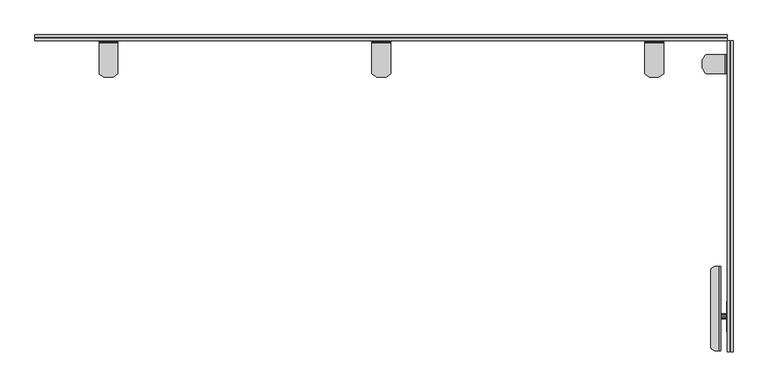
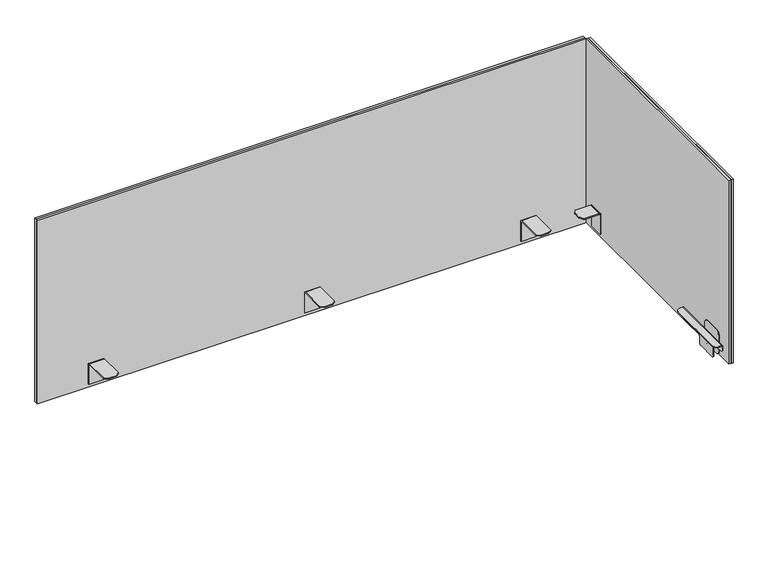
"""IFC4 building model written with IfcOpenShell, lengths in millimetres: furniture geometry."""

from ifc_helpers import new_model, si_unit, point, frame, frame_2d, origin, place, context, project, spatial, polyline, circle_curve, trimmed, segment, composite_curve, outline, extrude, faceted_brep, source, transform, mapped, element, save


def furniture_ee5137b2(model_context):
    return source(origin(), model_context, "Body", "SolidModel", [
        extrude(outline(polyline([(-538.9641953, 701.6102412), (-533.8842001, 700.2490597), (-530.1653864, 696.530246), (-528.8087787, 691.4673203), (-528.8087787, 645.7131523), (-530.1653864, 640.6502266), (-533.8842001, 636.9314129), (-538.9641953, 635.5702315), (-583.4142074, 635.5702315), (-588.4942025, 636.9314129), (-592.2130162, 640.6502266), (-593.6239901, 645.9160497), (-593.6239901, 691.264423), (-592.2130162, 696.530246), (-588.4942025, 700.2490597), (-583.4142074, 701.6102412), (-538.9641953, 701.6102412)])), frame((1468.6668103, 0.0, 0.0), z_axis=(1.0, 0.0, 0.0), x_axis=(0.0, 1.0, 0.0)), (0.0, 0.0, 1.0), 1.5260599),
        extrude(outline(composite_curve([segment(trimmed(circle_curve(frame_2d((690.1809564, 1453.0086073)), 3.2276051), [point((690.1065829, 1456.2353554))], [point((693.4085616, 1453.0086073))], False, "CARTESIAN"), True, "CONTINUOUS"), segment(polyline([(693.4085616, 1453.0086073), (691.6305451, 1453.0086073)]), True, "CONTINUOUS"), segment(trimmed(circle_curve(frame_2d((690.1810291, 1453.0086073)), 1.449516), [point((691.6305451, 1453.0086073))], [point((690.1065829, 1454.4562103))], True, "CARTESIAN"), True, "CONTINUOUS"), segment(polyline([(690.1065829, 1454.4562103), (690.1065829, 1456.2353554)]), True, "CONTINUOUS")], self_intersect=False)), frame((0.0, -634.341186, 0.0), z_axis=(0.0, 1.0, 0.0), x_axis=(0.0, 0.0, 1.0)), (0.0, 0.0, 1.0), 179.8320102),
        extrude(outline(polyline([(-565.6380395, 651.5024712), (-562.888498, 653.500169), (-559.4898683, 653.500169), (-556.7403268, 651.5024712), (-555.6901002, 648.270183), (-556.7403268, 645.0378949), (-559.4898683, 643.0402697), (-562.888498, 643.0402697), (-565.6380395, 645.0378949), (-566.6883024, 648.270183), (-565.6380395, 651.5024712)])), frame((1456.2362124, 0.0, 0.0), z_axis=(1.0, 0.0, 0.0), x_axis=(0.0, 1.0, 0.0)), (0.0, 0.0, 1.0), 12.4305979),
        extrude(outline(composite_curve([segment(polyline([(1453.0086073, -454.5091759), (1453.0086073, -634.341186), (1445.434263, -634.341186)]), True, "CONTINUOUS"), segment(trimmed(circle_curve(frame_2d((1445.434263, -623.29912)), 11.0420661), [point((1445.434263, -634.341186))], [point((1434.3921969, -623.29912))], False, "CARTESIAN"), True, "CONTINUOUS"), segment(polyline([(1434.3921969, -623.29912), (1434.3921969, -465.6842955)]), True, "CONTINUOUS"), segment(trimmed(circle_curve(frame_2d((1445.5673166, -465.6842955)), 11.1751197), [point((1434.3921969, -465.6842955))], [point((1445.5673166, -454.5091759))], False, "CARTESIAN"), True, "CONTINUOUS"), segment(polyline([(1445.5673166, -454.5091759), (1453.0086073, -454.5091759)]), True, "CONTINUOUS")], self_intersect=False)), frame((0.0, 0.0, 691.6305451), z_axis=(0.0, 0.0, 1.0), x_axis=(1.0, 0.0, 0.0)), (0.0, 0.0, 1.0), 1.7780165),
        extrude(outline(composite_curve([segment(polyline([(-454.5091759, 690.1065829), (-454.5091759, 666.7385567)]), True, "CONTINUOUS"), segment(trimmed(circle_curve(frame_2d((-460.8591759, 666.7385567)), 6.35), [point((-454.5091759, 666.7385567))], [point((-460.8591759, 660.3885567))], False, "CARTESIAN"), True, "CONTINUOUS"), segment(polyline([(-460.8591759, 660.3885567), (-523.0891953, 660.3885567)]), True, "CONTINUOUS"), segment(trimmed(circle_curve(frame_2d((-523.0891953, 654.0385567)), 6.35), [point((-523.0891953, 660.3885567))], [point((-529.4391953, 654.0385567))], True, "CARTESIAN"), True, "CONTINUOUS"), segment(polyline([(-529.4391953, 654.0385567), (-529.4391953, 639.814546)]), True, "CONTINUOUS"), segment(trimmed(circle_curve(frame_2d((-535.7891953, 639.814546)), 6.35), [point((-529.4391953, 639.814546))], [point((-535.7891953, 633.464546))], False, "CARTESIAN"), True, "CONTINUOUS"), segment(polyline([(-535.7891953, 633.464546), (-586.5892074, 633.464546)]), True, "CONTINUOUS"), segment(trimmed(circle_curve(frame_2d((-586.5892074, 639.814546)), 6.35), [point((-586.5892074, 633.464546))], [point((-592.9392074, 639.814546))], False, "CARTESIAN"), True, "CONTINUOUS"), segment(polyline([(-592.9392074, 639.814546), (-592.9392074, 664.4132587)]), True, "CONTINUOUS"), segment(trimmed(circle_curve(frame_2d((-599.2892074, 664.4132587)), 6.35), [point((-592.9392074, 664.4132587))], [point((-598.3396597, 670.691862))], True, "CARTESIAN"), True, "CONTINUOUS"), segment(polyline([(-598.3396597, 670.691862), (-629.289791, 675.3726202)]), True, "CONTINUOUS"), segment(trimmed(circle_curve(frame_2d((-628.4016172, 681.245407)), 5.9395689), [point((-629.289791, 675.3726202))], [point((-634.341186, 681.245407))], False, "CARTESIAN"), True, "CONTINUOUS"), segment(polyline([(-634.341186, 681.245407), (-634.341186, 690.1065829), (-454.5091759, 690.1065829)]), True, "CONTINUOUS")], self_intersect=False)), frame((1454.4581233, 0.0, 0.0), z_axis=(1.0, 0.0, 0.0), x_axis=(0.0, 1.0, 0.0)), (0.0, 0.0, 1.0), 1.7780891),
        faceted_brep([(1465.2360501, -44.5683306, 706.2267714), (1425.1074063, -44.5683306, 706.2267714), (1425.1074063, -44.5683306, 703.7267786), (1465.2360501, -44.5683306, 703.7267786), (1467.0038173, -44.5683306, 702.9945559), (1467.5457488, -44.5683306, 702.1834862), (1467.7360502, -44.5683306, 701.2267859), (1467.7360502, -44.5683306, 646.2268), (1470.1928702, -44.5683306, 646.2268), (1470.1928702, -44.5683306, 701.3691329), (1469.3933983, -44.5683306, 704.0046687), (1468.0139012, -44.5683306, 705.3841629), (1465.2360501, -4.6697508, 703.7267786), (1425.2981496, -4.6697508, 703.7267786), (1425.2981496, -4.6697508, 706.2267714), (1465.2360501, -4.6697508, 706.2267714), (1468.0139012, -4.6697508, 705.3841629), (1469.3933983, -4.6697508, 704.0046687), (1470.1928702, -4.6697508, 701.3691329), (1470.1928702, -4.6697508, 646.2268), (1467.7360502, -4.6697508, 646.2268), (1467.7360502, -4.6697508, 701.2267859), (1467.5457488, -4.6697508, 702.1834862), (1467.0038173, -4.6697508, 702.9945559), (1423.6400749, -43.7881366, 703.7267786), (1417.5766596, -34.7987484, 703.7267786), (1417.2347292, -33.6803619, 703.7267786), (1417.2347292, -15.6591395, 703.7267786), (1417.5766596, -14.5407519, 703.7267786), (1423.6400749, -5.5513648, 703.7267786), (1417.2347292, -33.6803619, 706.2267714), (1417.2347292, -15.6591395, 706.2267714), (1423.6400749, -5.5513648, 706.2267714), (1417.5766596, -14.5407519, 706.2267714), (1417.5766596, -34.7987484, 706.2267714), (1423.6400749, -43.7881366, 706.2267714)], [[[0, 1, 2, 3, 4, 5, 6, 7, 8, 9, 10, 11]], [[12, 13, 14, 15, 16, 17, 18, 19, 20, 21, 22, 23]], [[11, 16, 15, 0]], [[10, 17, 16, 11]], [[9, 18, 17, 10]], [[8, 19, 18, 9]], [[7, 20, 19, 8]], [[6, 21, 20, 7]], [[5, 22, 21, 6]], [[4, 23, 22, 5]], [[3, 12, 23, 4]], [[3, 2, 24, 25, 26, 27, 28, 29, 13, 12]], [[26, 30, 31, 27]], [[15, 14, 32, 33, 31, 30, 34, 35, 1, 0]], [[28, 27, 31, 33]], [[32, 14, 13, 29]], [[33, 32, 29, 28]], [[34, 30, 26, 25]], [[25, 24, 35, 34]], [[24, 2, 1, 35]]]),
        faceted_brep([(136.071692, 20.4011265, 703.7267786), (136.071692, -44.5354531, 703.7267786), (136.071692, -44.5354531, 706.2267714), (136.071692, 20.4011265, 706.2267714), (136.071692, 23.1789774, 705.3841629), (136.071692, 24.5584763, 704.0046687), (136.071692, 25.4011279, 701.2267859), (136.071692, 25.4011279, 646.2268), (136.071692, 22.901126, 646.2268), (136.071692, 22.901126, 701.2267859), (136.071692, 22.710826, 702.1834862), (136.071692, 22.1688942, 702.9945559), (176.071685, 20.4011265, 706.2267714), (176.071685, -44.5354531, 706.2267714), (176.071685, -44.5354531, 703.7267786), (176.071685, 20.4011265, 703.7267786), (176.071685, 22.1688942, 702.9945559), (176.071685, 22.710826, 702.1834862), (176.071685, 22.901126, 701.2267859), (176.071685, 22.901126, 646.2268), (176.071685, 25.4011279, 646.2268), (176.071685, 25.4011279, 701.2267859), (176.071685, 24.5584763, 704.0046687), (176.071685, 23.1789774, 705.3841629), (147.061083, -52.5988736, 706.2267714), (147.061083, -52.5988736, 703.7267786), (165.082294, -52.5988736, 703.7267786), (165.082294, -52.5988736, 706.2267714), (175.1900709, -46.1935278, 703.7267786), (166.2006851, -52.2569431, 703.7267786), (145.9426919, -52.2569431, 703.7267786), (136.953306, -46.1935278, 703.7267786), (136.953306, -46.1935278, 706.2267714), (145.9426919, -52.2569431, 706.2267714), (166.2006851, -52.2569431, 706.2267714), (175.1900709, -46.1935278, 706.2267714)], [[[0, 1, 2, 3, 4, 5, 6, 7, 8, 9, 10, 11]], [[12, 13, 14, 15, 16, 17, 18, 19, 20, 21, 22, 23]], [[24, 25, 26, 27]], [[15, 14, 28, 29, 26, 25, 30, 31, 1, 0]], [[11, 16, 15, 0]], [[10, 17, 16, 11]], [[9, 18, 17, 10]], [[8, 19, 18, 9]], [[7, 20, 19, 8]], [[6, 21, 20, 7]], [[5, 22, 21, 6]], [[4, 23, 22, 5]], [[3, 12, 23, 4]], [[3, 2, 32, 33, 24, 27, 34, 35, 13, 12]], [[28, 14, 13, 35]], [[34, 27, 26, 29]], [[35, 34, 29, 28]], [[30, 25, 24, 33]], [[32, 2, 1, 31]], [[33, 32, 31, 30]]]),
        faceted_brep([(1334.5769752, 20.4011265, 703.7267786), (1334.5769752, 22.1688942, 702.9945559), (1334.5769752, 22.710826, 702.1834862), (1334.5769752, 22.901126, 701.2267859), (1334.5769752, 22.901126, 646.2268), (1334.5769752, 25.4011279, 646.2268), (1334.5769752, 25.4011279, 701.2267859), (1334.5769752, 24.5584763, 704.0046687), (1334.5769752, 23.1789774, 705.3841629), (1334.5769752, 20.4011265, 706.2267714), (1334.5769752, -44.5354531, 706.2267714), (1334.5769752, -44.5354531, 703.7267786), (1294.5769822, 20.4011265, 706.2267714), (1294.5769822, 23.1789774, 705.3841629), (1294.5769822, 24.5584763, 704.0046687), (1294.5769822, 25.4011279, 701.2267859), (1294.5769822, 25.4011279, 646.2268), (1294.5769822, 22.901126, 646.2268), (1294.5769822, 22.901126, 701.2267859), (1294.5769822, 22.710826, 702.1834862), (1294.5769822, 22.1688942, 702.9945559), (1294.5769822, 20.4011265, 703.7267786), (1294.5769822, -44.5354531, 703.7267786), (1294.5769822, -44.5354531, 706.2267714), (1323.5875842, -52.5988736, 706.2267714), (1305.5663732, -52.5988736, 706.2267714), (1305.5663732, -52.5988736, 703.7267786), (1323.5875842, -52.5988736, 703.7267786), (1333.6953611, -46.1935278, 703.7267786), (1324.7059752, -52.2569431, 703.7267786), (1304.4479821, -52.2569431, 703.7267786), (1295.4585962, -46.1935278, 703.7267786), (1295.4585962, -46.1935278, 706.2267714), (1304.4479821, -52.2569431, 706.2267714), (1324.7059752, -52.2569431, 706.2267714), (1333.6953611, -46.1935278, 706.2267714)], [[[0, 1, 2, 3, 4, 5, 6, 7, 8, 9, 10, 11]], [[12, 13, 14, 15, 16, 17, 18, 19, 20, 21, 22, 23]], [[24, 25, 26, 27]], [[21, 0, 11, 28, 29, 27, 26, 30, 31, 22]], [[1, 0, 21, 20]], [[2, 1, 20, 19]], [[3, 2, 19, 18]], [[4, 3, 18, 17]], [[5, 4, 17, 16]], [[6, 5, 16, 15]], [[7, 6, 15, 14]], [[8, 7, 14, 13]], [[9, 8, 13, 12]], [[9, 12, 23, 32, 33, 25, 24, 34, 35, 10]], [[31, 32, 23, 22]], [[33, 30, 26, 25]], [[32, 31, 30, 33]], [[29, 34, 24, 27]], [[35, 28, 11, 10]], [[34, 29, 28, 35]]]),
        faceted_brep([(755.4774282, 20.4011265, 703.7267786), (755.4774282, 22.1688942, 702.9945559), (755.4774282, 22.710826, 702.1834862), (755.4774282, 22.901126, 701.2267859), (755.4774282, 22.901126, 646.2268), (755.4774282, 25.4011279, 646.2268), (755.4774282, 25.4011279, 701.2267859), (755.4774282, 24.5584763, 704.0046687), (755.4774282, 23.1789774, 705.3841629), (755.4774282, 20.4011265, 706.2267714), (755.4774282, -44.5354531, 706.2267714), (755.4774282, -44.5354531, 703.7267786), (715.4774352, 20.4011265, 706.2267714), (715.4774352, 23.1789774, 705.3841629), (715.4774352, 24.5584763, 704.0046687), (715.4774352, 25.4011279, 701.2267859), (715.4774352, 25.4011279, 646.2268), (715.4774352, 22.901126, 646.2268), (715.4774352, 22.901126, 701.2267859), (715.4774352, 22.710826, 702.1834862), (715.4774352, 22.1688942, 702.9945559), (715.4774352, 20.4011265, 703.7267786), (715.4774352, -44.5354531, 703.7267786), (715.4774352, -44.5354531, 706.2267714), (744.4880372, -52.5988736, 706.2267714), (726.4668262, -52.5988736, 706.2267714), (726.4668262, -52.5988736, 703.7267786), (744.4880372, -52.5988736, 703.7267786), (754.5958142, -46.1935278, 703.7267786), (745.6064283, -52.2569431, 703.7267786), (725.3484351, -52.2569431, 703.7267786), (716.3590493, -46.1935278, 703.7267786), (716.3590493, -46.1935278, 706.2267714), (725.3484351, -52.2569431, 706.2267714), (745.6064283, -52.2569431, 706.2267714), (754.5958142, -46.1935278, 706.2267714)], [[[0, 1, 2, 3, 4, 5, 6, 7, 8, 9, 10, 11]], [[12, 13, 14, 15, 16, 17, 18, 19, 20, 21, 22, 23]], [[24, 25, 26, 27]], [[21, 0, 11, 28, 29, 27, 26, 30, 31, 22]], [[1, 0, 21, 20]], [[2, 1, 20, 19]], [[3, 2, 19, 18]], [[4, 3, 18, 17]], [[5, 4, 17, 16]], [[6, 5, 16, 15]], [[7, 6, 15, 14]], [[8, 7, 14, 13]], [[9, 8, 13, 12]], [[9, 12, 23, 32, 33, 25, 24, 34, 35, 10]], [[31, 32, 23, 22]], [[33, 30, 26, 25]], [[32, 31, 30, 33]], [[29, 34, 24, 27]], [[35, 28, 11, 10]], [[34, 29, 28, 35]]]),
        extrude(outline(polyline([(1475.4765253, 25.4011271), (1475.4765253, -636.6080487), (1470.1928702, -636.6080487), (1470.1928702, 25.4011271), (1475.4765253, 25.4011271)])), frame((0.0, 0.0, 636.2192), z_axis=(0.0, 0.0, 1.0), x_axis=(1.0, 0.0, 0.0)), (0.0, 0.0, 1.0), 521.0048),
        extrude(outline(polyline([(1482.217, 25.4011271), (1482.217, -636.6080487), (1476.9765251, -636.6080487), (1476.9765251, 25.4011271), (1482.217, 25.4011271)])), frame((0.0, 0.0, 636.2192), z_axis=(0.0, 0.0, 1.0), x_axis=(1.0, 0.0, 0.0)), (0.0, 0.0, 1.0), 521.0048),
        extrude(outline(polyline([(0.0, 32.1404755), (0.0, 37.3809513), (1470.1928702, 37.3809513), (1470.1928702, 32.1404755), (0.0, 32.1404755)])), frame((0.0, 0.0, 636.2192), z_axis=(0.0, 0.0, 1.0), x_axis=(1.0, 0.0, 0.0)), (0.0, 0.0, 1.0), 521.0048),
        extrude(outline(polyline([(1470.1928702, 25.4011271), (0.0, 25.4011271), (0.0, 30.6404739), (1470.1928702, 30.6404739), (1470.1928702, 25.4011271)])), frame((0.0, 0.0, 636.2192), z_axis=(0.0, 0.0, 1.0), x_axis=(1.0, 0.0, 0.0)), (0.0, 0.0, 1.0), 521.0048),
    ])


if __name__ == "__main__":
    model = new_model("IFC4")
    model_context = context("Model", 3, world=origin())
    ifc_project = project(units=[si_unit("LENGTHUNIT", "METRE", prefix="MILLI")], contexts=[model_context])
    site = spatial("IfcSite", under=ifc_project)
    building = spatial("IfcBuilding", under=site)
    placement = place(None, origin())
    furniture_shape = furniture_ee5137b2(model_context)
    element("IfcFurniture", 1, at=placement, inside=building, context=model_context, shape_type="MappedRepresentation", body=[
        mapped(furniture_shape, transform((0.0, 0.0, 0.0), x_axis=(1.0, 0.0, 0.0), y_axis=(0.0, 1.0, 0.0), z_axis=(0.0, 0.0, 1.0))),
    ])
    save(model, "model.ifc")
